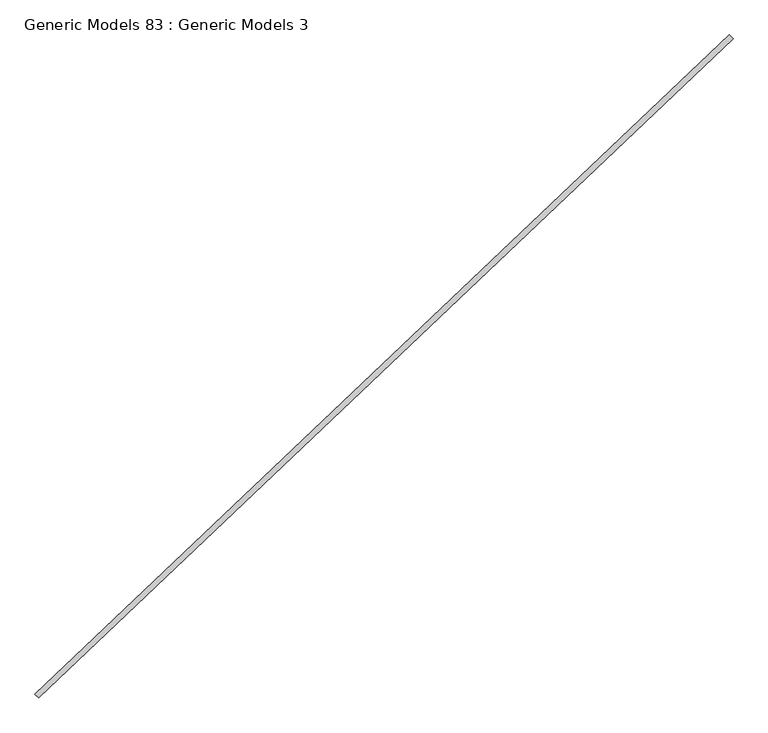
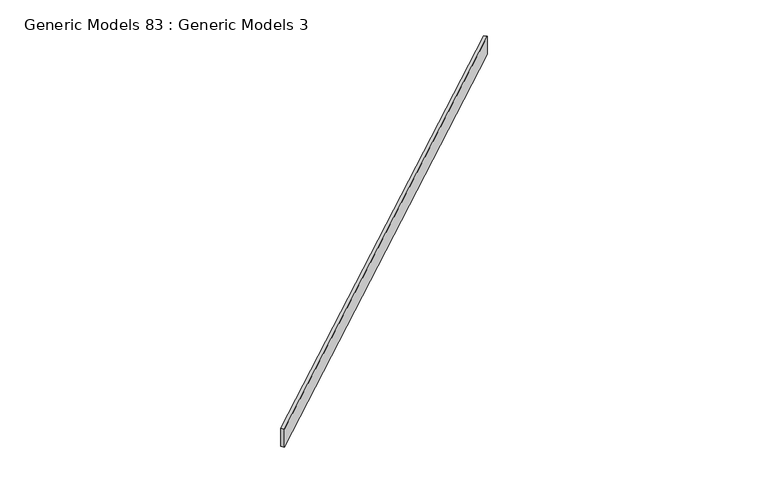
"""IFC4 building model written with IfcOpenShell, lengths in millimetres: proxy geometry, Generic Models 83 : Generic Models 3."""

from ifc_helpers import new_model, si_unit, frame, origin, place, context, project, spatial, polyline, outline, extrude, source, transform, mapped, element, save


def generic_models_83_generic_models_3_88429b62(model_context):
    return source(origin(), model_context, "Body", "SweptSolid", [
        extrude(outline(polyline([(109880.5663493, 47380.1640408), (109915.5347618, 47343.3150227), (103213.6196044, 40983.4350092), (103178.651192, 41020.2840273), (109880.5663493, 47380.1640408)])), frame((0.0, 0.0, 18057.9686085), z_axis=(0.0, 0.0, 1.0), x_axis=(1.0, 0.0, 0.0)), (0.0, 0.0, 1.0), 283.2532195),
    ])


if __name__ == "__main__":
    model = new_model("IFC4")
    model_context = context("Model", 3, world=origin())
    ifc_project = project(units=[si_unit("LENGTHUNIT", "METRE", prefix="MILLI")], contexts=[model_context])
    site = spatial("IfcSite", under=ifc_project)
    building = spatial("IfcBuilding", under=site)
    placement = place(None, origin())
    generic_models_83_generic_models_3_shape = generic_models_83_generic_models_3_88429b62(model_context)
    element("IfcBuildingElementProxy", 1, Name="Generic Models 83 : Generic Models 3", ObjectType="Generic Models 83 : Generic Models 3", at=placement, inside=building, context=model_context, shape_type="MappedRepresentation", body=[
        mapped(generic_models_83_generic_models_3_shape, transform((0.0, 0.0, 0.0), x_axis=(1.0, 0.0, 0.0), y_axis=(0.0, 1.0, 0.0), z_axis=(0.0, 0.0, 1.0))),
    ])
    save(model, "model.ifc")
